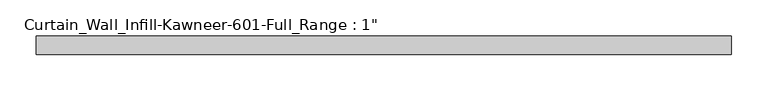
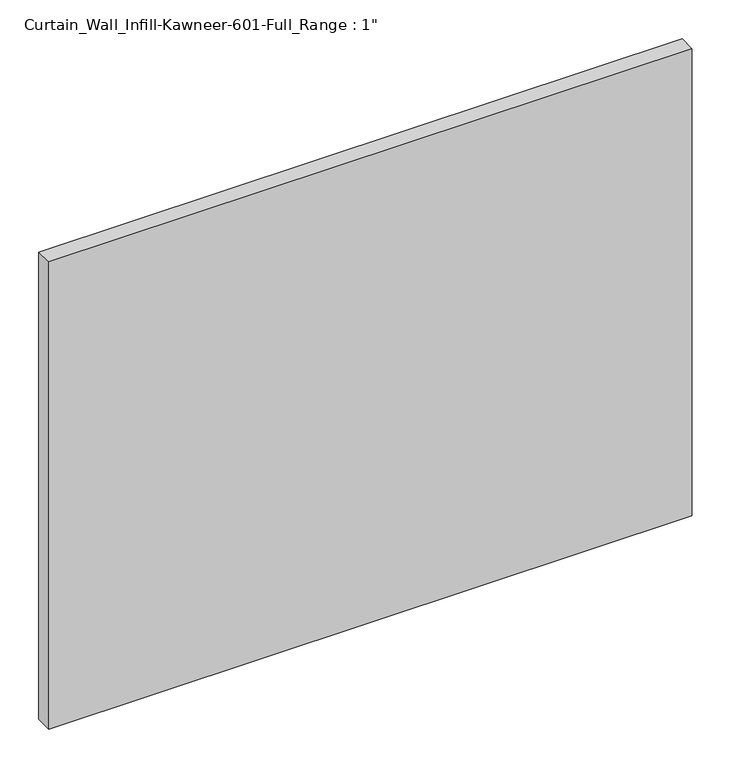
"""IFC4 building model written with IfcOpenShell, lengths in millimetres: plate geometry."""

import ifcopenshell
import ifcopenshell.guid

model = None  # the IFC model being written
_history = None  # IfcOwnerHistory: only IFC2X3 demands one
_inside = {}  # id of a spatial element -> (the spatial element, [elements in it])
_under = {}  # id of a project, library or spatial element -> (it, [spatial elements below it])
_declared = {}  # id of a project -> (the project, [libraries it declares])
_typed = {}  # id of a type object -> (the type object, [elements of that type])
_made_of = {}  # id of a material, layer set ... -> (it, [elements and type objects made of it])


def new_model(schema):
    """Start an empty IFC model of exactly this schema.

    Asked for "IFC4X3", IfcOpenShell would pick the latest addendum, in which some entities
    have other attributes; the version numbers below select the first issue.
    IFC2X3 requires an IfcOwnerHistory on every rooted entity: one is made here for all.
    """
    global model, _history
    if schema == "IFC4X3":
        model = ifcopenshell.file(schema_version=(4, 3, 0, 0))
    else:
        model = ifcopenshell.file(schema=schema)
    _inside.clear()
    _under.clear()
    _declared.clear()
    _typed.clear()
    _made_of.clear()
    _history = None
    if model.schema == "IFC2X3":
        org = make("IfcOrganization", Name="unknown")
        user = make(
            "IfcPersonAndOrganization",
            ThePerson=make("IfcPerson", FamilyName="unknown"),
            TheOrganization=org,
        )
        app = make(
            "IfcApplication",
            ApplicationDeveloper=org,
            Version="unknown",
            ApplicationFullName="unknown",
            ApplicationIdentifier="unknown",
        )
        _history = make(
            "IfcOwnerHistory",
            OwningUser=user,
            OwningApplication=app,
            ChangeAction="ADDED",
            CreationDate=0,
        )
    return model


def make(cls, **values):
    """One entity of the class cls with the attributes given. An attribute that is None is left unset."""
    return model.create_entity(
        cls, **{name: value for name, value in values.items() if value is not None}
    )


def rooted(cls, **values):
    """An entity with a GlobalId (a new one), such as an element, a storey or a relation."""
    return make(cls, GlobalId=ifcopenshell.guid.new(), OwnerHistory=_history, **values)


def si_unit(unit_type, name, prefix=None):
    """IfcSIUnit, for example si_unit("LENGTHUNIT", "METRE", prefix="MILLI")."""
    return make("IfcSIUnit", UnitType=unit_type, Prefix=prefix, Name=name)


def assignment(units):
    """IfcUnitAssignment: the units of a project."""
    return None if units is None else make("IfcUnitAssignment", Units=units)


def point(xyz):
    """IfcCartesianPoint."""
    return None if xyz is None else make("IfcCartesianPoint", Coordinates=xyz)


def direction(xyz):
    """IfcDirection."""
    return None if xyz is None else make("IfcDirection", DirectionRatios=xyz)


def frame(location, z_axis=None, x_axis=None):
    """IfcAxis2Placement3D, a coordinate frame: its origin and axes. An axis left out is left unset."""
    return make(
        "IfcAxis2Placement3D",
        Location=point(location),
        Axis=direction(z_axis),
        RefDirection=direction(x_axis),
    )


def origin():
    """The frame at (0, 0, 0) with its axes left unset."""
    return frame((0.0, 0.0, 0.0))


def origin_with_axes():
    """The frame at (0, 0, 0) with the z axis (0, 0, 1) and the x axis (1, 0, 0) written out."""
    return frame((0.0, 0.0, 0.0), z_axis=(0.0, 0.0, 1.0), x_axis=(1.0, 0.0, 0.0))


def place(relative_to, where):
    """IfcLocalPlacement: puts the frame where relative to a parent placement (None: the world)."""
    return make(
        "IfcLocalPlacement", PlacementRelTo=relative_to, RelativePlacement=where
    )


def context(
    kind, dimensions, precision=None, world=None, true_north=None, identifier=None
):
    """IfcGeometricRepresentationContext, for example the 3D "Model" context."""
    return make(
        "IfcGeometricRepresentationContext",
        ContextIdentifier=identifier,
        ContextType=kind,
        CoordinateSpaceDimension=dimensions,
        Precision=precision,
        WorldCoordinateSystem=world,
        TrueNorth=true_north,
    )


def project(units=None, contexts=None):
    """IfcProject with its units and contexts."""
    return rooted(
        "IfcProject",
        Name="project",
        RepresentationContexts=contexts,
        UnitsInContext=assignment(units),
    )


def spatial(cls, under=None, at=None, **own):
    """A site, building, storey or space (cls), placed at a placement, below another one or the project."""
    s = rooted(cls, ObjectPlacement=at, **own)
    if under is not None:
        _under.setdefault(under.id(), (under, []))[1].append(s)
    return s


def polyline(points):
    """IfcPolyline through the points."""
    return make("IfcPolyline", Points=[point(p) for p in points])


def outline(outer, holes=None, kind="AREA"):
    """IfcArbitraryClosedProfileDef: a profile drawn as a closed curve; with holes, ...WithVoids."""
    if holes is None:
        return make("IfcArbitraryClosedProfileDef", ProfileType=kind, OuterCurve=outer)
    return make(
        "IfcArbitraryProfileDefWithVoids",
        ProfileType=kind,
        OuterCurve=outer,
        InnerCurves=holes,
    )


def extrude(swept, where, along, depth):
    """IfcExtrudedAreaSolid: the profile swept, set in the frame where, extruded along a direction by depth."""
    return make(
        "IfcExtrudedAreaSolid",
        SweptArea=swept,
        Position=where,
        ExtrudedDirection=direction(along),
        Depth=depth,
    )


def shape(context_of_items, identifier, shape_type, items):
    """IfcShapeRepresentation: the items that make up one representation, for example the "Body"."""
    return make(
        "IfcShapeRepresentation",
        ContextOfItems=context_of_items,
        RepresentationIdentifier=identifier,
        RepresentationType=shape_type,
        Items=items,
    )


def source(mapping_origin, context_of_items, identifier, shape_type, items):
    """IfcRepresentationMap: a shape defined once, which mapped items show again and again."""
    return make(
        "IfcRepresentationMap",
        MappingOrigin=mapping_origin,
        MappedRepresentation=shape(context_of_items, identifier, shape_type, items),
    )


def transform(
    local_origin,
    x_axis=None,
    y_axis=None,
    z_axis=None,
    scale=None,
    scale2=None,
    scale3=None,
    uniform=True,
):
    """IfcCartesianTransformationOperator3D, or its non-uniform kind. x_axis, y_axis, z_axis: its Axis1, 2, 3."""
    if uniform:
        return make(
            "IfcCartesianTransformationOperator3D",
            Axis1=direction(x_axis),
            Axis2=direction(y_axis),
            LocalOrigin=point(local_origin),
            Scale=scale,
            Axis3=direction(z_axis),
        )
    return make(
        "IfcCartesianTransformationOperator3DnonUniform",
        Axis1=direction(x_axis),
        Axis2=direction(y_axis),
        LocalOrigin=point(local_origin),
        Scale=scale,
        Axis3=direction(z_axis),
        Scale2=scale2,
        Scale3=scale3,
    )


def mapped(mapping_source, mapping_target):
    """IfcMappedItem: shows the shape of a source again, moved by a transform."""
    return make(
        "IfcMappedItem", MappingSource=mapping_source, MappingTarget=mapping_target
    )


def made_of(thing, what):
    """Note that an element or type object is made of a material, layer set ...; save() writes the relation."""
    if what is not None:
        _made_of.setdefault(what.id(), (what, []))[1].append(thing)
    return thing


def element(
    cls,
    number,
    at=None,
    inside=None,
    cuts=None,
    type_object=None,
    material=None,
    context=None,
    identifier="Body",
    shape_type=None,
    held_by="IfcProductDefinitionShape",
    body=None,
    shapes=None,
    **own,
):
    """One element of the class cls, such as IfcWall. Its Tag is "e" and its number.

    at: its placement. inside: the storey or other place that contains it. cuts: it is an
    opening in that element (IfcRelVoidsElement). A single representation is given by context,
    identifier, shape_type and body (its items); several are given by shapes. held_by: the class
    of the entity that holds the representations. save() writes the other relations.
    """
    e = rooted(cls, Tag="e%d" % number, ObjectPlacement=at, **own)
    if body is not None:
        shapes = [shape(context, identifier, shape_type, body)]
    if shapes is not None:
        e.Representation = make(held_by, Representations=shapes)
    if inside is not None:
        _inside.setdefault(inside.id(), (inside, []))[1].append(e)
    if cuts is not None:
        rooted(
            "IfcRelVoidsElement", RelatingBuildingElement=cuts, RelatedOpeningElement=e
        )
    if type_object is not None:
        _typed.setdefault(type_object.id(), (type_object, []))[1].append(e)
    return made_of(e, material)


def aggregate(whole, parts):
    """IfcRelAggregates: a whole, such as a stair, and the parts it consists of."""
    return rooted("IfcRelAggregates", RelatingObject=whole, RelatedObjects=parts)


def save(model, path):
    """Write the relations noted so far, then the file.

    IfcRelAggregates (storeys below a building ...), IfcRelContainedInSpatialStructure (elements
    in a storey), IfcRelDefinesByType, IfcRelAssociatesMaterial and IfcRelDeclares: one each for
    every whole, place, type object, material and project.
    """
    for whole, parts in _under.values():
        aggregate(whole, parts)
    for where, things in _inside.values():
        rooted(
            "IfcRelContainedInSpatialStructure",
            RelatedElements=things,
            RelatingStructure=where,
        )
    for kind, things in _typed.values():
        rooted("IfcRelDefinesByType", RelatedObjects=things, RelatingType=kind)
    for what, things in _made_of.values():
        rooted("IfcRelAssociatesMaterial", RelatedObjects=things, RelatingMaterial=what)
    for by, libraries in _declared.values():
        rooted("IfcRelDeclares", RelatingContext=by, RelatedDefinitions=libraries)
    model.write(path)


def plate_a2e14bbf(model_context):
    return source(origin(), model_context, "Body", "SweptSolid", [
        extrude(outline(polyline([(-477.8375, -12.7), (-477.8375, 12.7), (477.8375, 12.7), (477.8375, -12.7), (-477.8375, -12.7)])), origin_with_axes(), (0.0, 0.0, 1.0), 733.425),
    ])


if __name__ == "__main__":
    model = new_model("IFC4")
    model_context = context("Model", 3, world=origin())
    ifc_project = project(units=[si_unit("LENGTHUNIT", "METRE", prefix="MILLI")], contexts=[model_context])
    site = spatial("IfcSite", under=ifc_project)
    building = spatial("IfcBuilding", under=site)
    placement = place(None, origin())
    plate_shape = plate_a2e14bbf(model_context)
    element("IfcPlate", 1, ObjectType="Curtain_Wall_Infill-Kawneer-601-Full_Range : 1\"", at=placement, inside=building, context=model_context, shape_type="MappedRepresentation", body=[
        mapped(plate_shape, transform((0.0, 0.0, 0.0), x_axis=(1.0, 0.0, 0.0), y_axis=(0.0, 1.0, 0.0), z_axis=(0.0, 0.0, 1.0))),
    ])
    save(model, "model.ifc")
